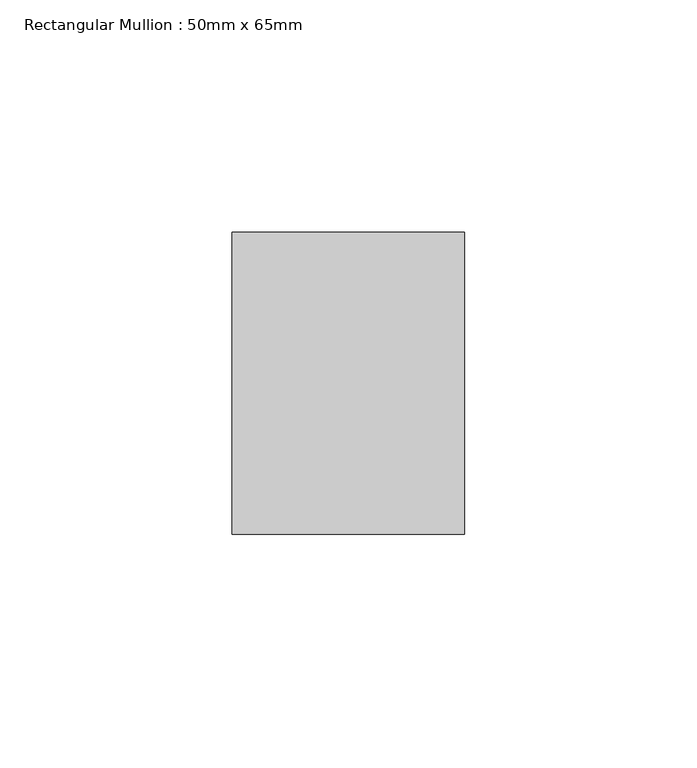
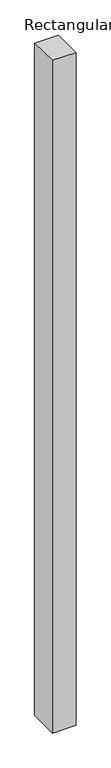
"""IFC4 building model written with IfcOpenShell, lengths in millimetres: member geometry, Rectangular Mullion : 50mm x 65mm."""

from ifc_helpers import new_model, si_unit, origin, place, context, project, spatial, faceted_brep, source, transform, mapped, element, save


def rectangular_mullion_50mm_x_65mm_a72a8357(model_context):
    return source(origin(), model_context, "Body", "Brep", [
        faceted_brep([(-25.0, 32.5, -0.3536707), (25.0, 32.5, -0.353669), (25.0, 32.5, -1499.5483985), (-25.0, 32.5, -1499.5483963), (-25.0, -32.5, 0.353669), (-25.0, -32.5, -1500.4520248), (25.0, -32.5, 0.3536707), (25.0, -32.5, -1500.452027)], [[[0, 1, 2, 3]], [[4, 0, 3, 5]], [[6, 4, 5, 7]], [[1, 6, 7, 2]], [[1, 0, 4, 6]], [[2, 7, 5, 3]]]),
    ])


if __name__ == "__main__":
    model = new_model("IFC4")
    model_context = context("Model", 3, world=origin())
    ifc_project = project(units=[si_unit("LENGTHUNIT", "METRE", prefix="MILLI")], contexts=[model_context])
    site = spatial("IfcSite", under=ifc_project)
    building = spatial("IfcBuilding", under=site)
    placement = place(None, origin())
    rectangular_mullion_50mm_x_65mm_shape = rectangular_mullion_50mm_x_65mm_a72a8357(model_context)
    element("IfcMember", 1, ObjectType="Rectangular Mullion : 50mm x 65mm", at=placement, inside=building, context=model_context, shape_type="MappedRepresentation", body=[
        mapped(rectangular_mullion_50mm_x_65mm_shape, transform((0.0, 0.0, 0.0), x_axis=(1.0, 0.0, 0.0), y_axis=(0.0, 1.0, 0.0), z_axis=(0.0, 0.0, 1.0))),
    ])
    save(model, "model.ifc")
